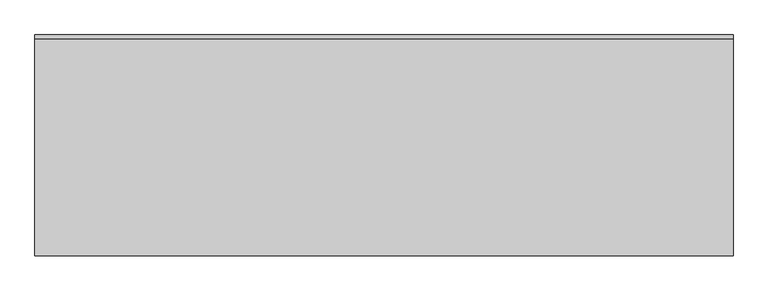
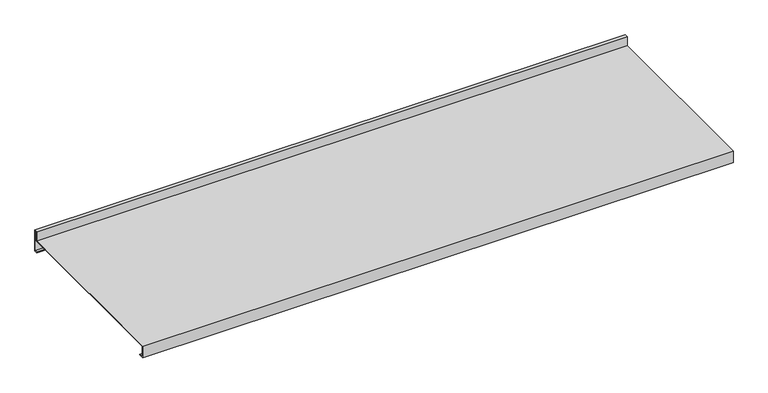
"""IFC4 building model written with IfcOpenShell, lengths in millimetres: furniture geometry."""

from ifc_helpers import new_model, si_unit, frame, origin, place, context, project, spatial, polyline, outline, extrude, source, transform, mapped, element, save


def furniture_7d976cbb(model_context):
    return source(origin(), model_context, "Body", "SweptSolid", [
        extrude(outline(polyline([(101.6000015, 2032.0), (101.6000015, 1987.55), (95.2500015, 1987.55), (95.2500015, 1989.1375), (100.0125015, 1989.1375), (100.0125015, 2030.4125), (96.8375015, 2030.4125), (96.8375015, 2011.3624998), (-272.7324985, 2011.3624998), (-272.7324985, 1989.1375), (-263.2074985, 1989.1375), (-263.2074985, 1987.55), (-274.3199985, 1987.55), (-274.3199985, 2012.9499998), (95.2500015, 2012.9499998), (95.2500015, 2032.0), (101.6000015, 2032.0)])), frame((-593.725, 0.0, 0.0), z_axis=(1.0, 0.0, 0.0), x_axis=(0.0, 1.0, 0.0)), (0.0, 0.0, 1.0), 1187.45),
    ])


if __name__ == "__main__":
    model = new_model("IFC4")
    model_context = context("Model", 3, world=origin())
    ifc_project = project(units=[si_unit("LENGTHUNIT", "METRE", prefix="MILLI")], contexts=[model_context])
    site = spatial("IfcSite", under=ifc_project)
    building = spatial("IfcBuilding", under=site)
    placement = place(None, origin())
    furniture_shape = furniture_7d976cbb(model_context)
    element("IfcFurniture", 1, at=placement, inside=building, context=model_context, shape_type="MappedRepresentation", body=[
        mapped(furniture_shape, transform((0.0, 0.0, 0.0), x_axis=(1.0, 0.0, 0.0), y_axis=(0.0, 1.0, 0.0), z_axis=(0.0, 0.0, 1.0))),
    ])
    save(model, "model.ifc")
